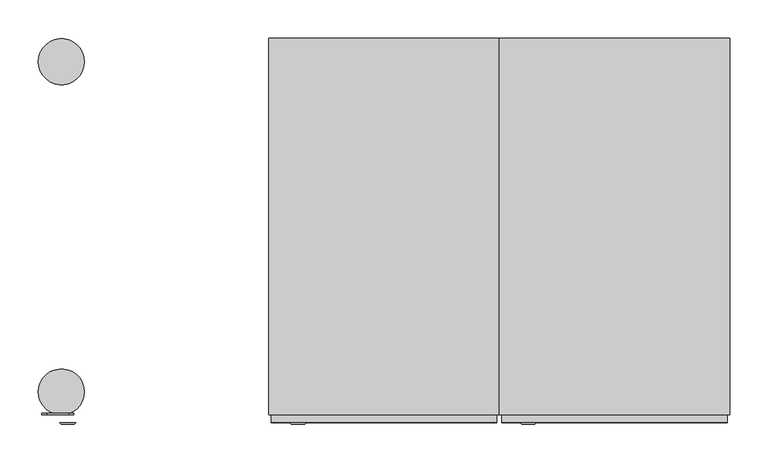
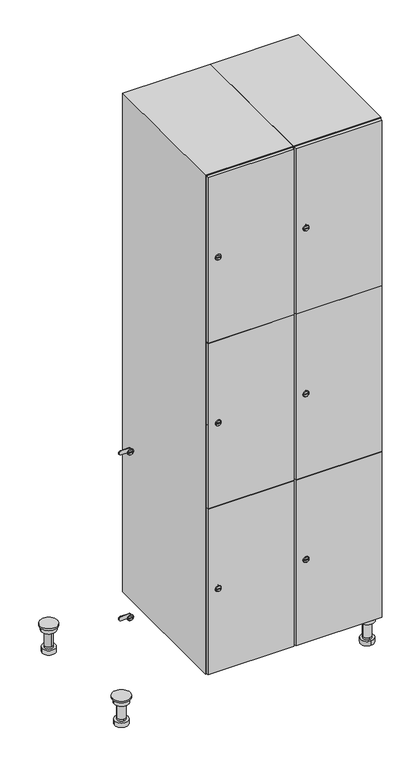
"""IFC4 building model written with IfcOpenShell, lengths in millimetres: furniture geometry."""

from ifc_helpers import new_model, si_unit, point, frame, frame_2d, origin, place, context, project, spatial, polyline, circle_curve, trimmed, segment, composite_curve, outline, extrude, faceted_brep, source, transform, mapped, element, save
from ifc_brep_helpers import plane_surface, cylinder_surface, revolved_surface, advanced_brep


def furniture_65d484cc(model_context):
    return source(origin(), model_context, "Body", "SolidModel", [
        advanced_brep(
        [(670.0, -201.0, 22.0), (670.0, -201.5, 16.0), (670.0, -228.5, 16.0), (670.0, -229.0, 22.0), (656.0, -215.0, 22.0), (684.0, -215.0, 22.0), (670.0, -192.5, 16.0), (670.0, -237.5, 16.0), (670.0, -192.5, 0.0), (670.0, -237.5, 0.0), (684.0, -215.0, 78.0), (656.0, -215.0, 78.0), (695.0, -215.0, 78.0), (645.0, -215.0, 78.0), (700.0, -215.0, 94.0), (640.0, -215.0, 94.0), (645.0, -215.0, 94.0), (695.0, -215.0, 94.0), (700.0, -215.0, 100.0), (640.0, -215.0, 100.0)],
        [
            (0, 1),
            (1, 2, circle_curve(frame((670.0, -215.0, 16.0), z_axis=(0.0, 0.0, 1.0), x_axis=(0.0, -1.0, 0.0)), 13.5)),
            (2, 3),
            (3, 4, circle_curve(frame((670.0, -215.0, 22.0), z_axis=(0.0, 0.0, -1.0), x_axis=(0.0, -1.0, 0.0)), 14.0)),
            (4, 0, circle_curve(frame((670.0, -215.0, 22.0), z_axis=(0.0, 0.0, -1.0), x_axis=(0.0, -1.0, 0.0)), 14.0)),
            (0, 5, circle_curve(frame((670.0, -215.0, 22.0), z_axis=(0.0, 0.0, -1.0), x_axis=(0.0, 1.0, 0.0)), 14.0)),
            (5, 3, circle_curve(frame((670.0, -215.0, 22.0), z_axis=(0.0, 0.0, -1.0), x_axis=(0.0, 1.0, 0.0)), 14.0)),
            (2, 1, circle_curve(frame((670.0, -215.0, 16.0), z_axis=(0.0, 0.0, 1.0), x_axis=(0.0, 1.0, 0.0)), 13.5)),
            (6, 7, circle_curve(frame((670.0, -215.0, 16.0), z_axis=(0.0, 0.0, 1.0), x_axis=(0.0, -1.0, 0.0)), 22.5)),
            (7, 6, circle_curve(frame((670.0, -215.0, 16.0), z_axis=(0.0, 0.0, 1.0), x_axis=(0.0, -1.0, 0.0)), 22.5)),
            (8, 9, circle_curve(frame((670.0, -215.0, 0.0), z_axis=(0.0, 0.0, -1.0), x_axis=(0.0, -1.0, 0.0)), 22.5)),
            (9, 8, circle_curve(frame((670.0, -215.0, 0.0), z_axis=(0.0, 0.0, -1.0), x_axis=(0.0, -1.0, 0.0)), 22.5)),
            (6, 8),
            (9, 7),
            (5, 10),
            (10, 11, circle_curve(frame((670.0, -215.0, 78.0), z_axis=(0.0, 0.0, -1.0), x_axis=(-1.0, 0.0, 0.0)), 14.0)),
            (11, 4),
            (11, 10, circle_curve(frame((670.0, -215.0, 78.0), z_axis=(0.0, 0.0, -1.0), x_axis=(-1.0, 0.0, 0.0)), 14.0)),
            (12, 13, circle_curve(frame((670.0, -215.0, 78.0), z_axis=(0.0, 0.0, -1.0), x_axis=(-1.0, 0.0, 0.0)), 25.0)),
            (13, 12, circle_curve(frame((670.0, -215.0, 78.0), z_axis=(0.0, 0.0, -1.0), x_axis=(-1.0, 0.0, 0.0)), 25.0)),
            (14, 15, circle_curve(frame((670.0, -215.0, 94.0), z_axis=(0.0, 0.0, -1.0), x_axis=(-1.0, 0.0, 0.0)), 30.0)),
            (15, 14, circle_curve(frame((670.0, -215.0, 94.0), z_axis=(0.0, 0.0, -1.0), x_axis=(-1.0, 0.0, 0.0)), 30.0)),
            (16, 17, circle_curve(frame((670.0, -215.0, 94.0), z_axis=(0.0, 0.0, 1.0), x_axis=(-1.0, 0.0, 0.0)), 25.0)),
            (17, 16, circle_curve(frame((670.0, -215.0, 94.0), z_axis=(0.0, 0.0, 1.0), x_axis=(-1.0, 0.0, 0.0)), 25.0)),
            (18, 19, circle_curve(frame((670.0, -215.0, 100.0), z_axis=(0.0, 0.0, 1.0), x_axis=(-1.0, 0.0, 0.0)), 30.0)),
            (19, 18, circle_curve(frame((670.0, -215.0, 100.0), z_axis=(0.0, 0.0, 1.0), x_axis=(-1.0, 0.0, 0.0)), 30.0)),
            (14, 18),
            (19, 15),
            (12, 17),
            (16, 13),
        ],
        [
            revolved_surface(polyline([(670.0, -201.5, 16.0), (670.0, -201.0, 22.0)]), (670.0, -215.0, -146.0), (0.0, 0.0, 1.0)),
            plane_surface(frame((670.0, 0.0, 16.0), z_axis=(0.0, 0.0, 1.0), x_axis=(0.0, -1.0, 0.0))),
            plane_surface(frame((670.0, 0.0, 0.0), z_axis=(0.0, 0.0, -1.0), x_axis=(0.0, -1.0, 0.0))),
            cylinder_surface(frame((670.0, -215.0, 16.0), z_axis=(0.0, 0.0, 1.0), x_axis=(0.0, -1.0, 0.0)), 22.5),
            cylinder_surface(frame((670.0, -215.0, 22.0), z_axis=(0.0, 0.0, -1.0), x_axis=(-1.0, 0.0, 0.0)), 14.0),
            plane_surface(frame((670.0, 0.0, 78.0), z_axis=(0.0, 0.0, -1.0), x_axis=(0.0, -1.0, 0.0))),
            plane_surface(frame((670.0, 0.0, 94.0), z_axis=(0.0, 0.0, -1.0), x_axis=(0.0, -1.0, 0.0))),
            plane_surface(frame((670.0, 0.0, 100.0), z_axis=(0.0, 0.0, 1.0), x_axis=(0.0, -1.0, 0.0))),
            cylinder_surface(frame((670.0, -215.0, 94.0), z_axis=(0.0, 0.0, -1.0), x_axis=(-1.0, 0.0, 0.0)), 30.0),
            cylinder_surface(frame((670.0, -215.0, 78.0), z_axis=(0.0, 0.0, -1.0), x_axis=(-1.0, 0.0, 0.0)), 25.0),
        ],
        [
            (0, [[1, 2, 3, 4, 5]]),
            (0, [[-1, 6, 7, -3, 8]]),
            (1, [[9, 10], [-2, -8]]),
            (2, [[11, 12]]),
            (3, [[-9, 13, -12, 14]]),
            (3, [[-10, -14, -11, -13]]),
            (4, [[15, 16, 17, -4, -7]]),
            (4, [[-15, -6, -5, -17, 18]]),
            (5, [[19, 20], [-16, -18]]),
            (6, [[21, 22], [23, 24]]),
            (7, [[25, 26]]),
            (8, [[-21, 27, -26, 28]]),
            (8, [[-22, -28, -25, -27]]),
            (9, [[-19, 29, -23, 30]]),
            (9, [[-20, -30, -24, -29]]),
        ],
    ),
        advanced_brep(
        [(-170.0, -201.0, 22.0), (-170.0, -201.5, 16.0), (-170.0, -228.5, 16.0), (-170.0, -229.0, 22.0), (-184.0, -215.0, 22.0), (-156.0, -215.0, 22.0), (-147.5, -215.0, 0.0), (-192.5, -215.0, 0.0), (-147.5, -215.0, 16.0), (-192.5, -215.0, 16.0), (-156.0, -215.0, 78.0), (-184.0, -215.0, 78.0), (-145.0, -215.0, 78.0), (-195.0, -215.0, 78.0), (-140.0, -215.0, 94.0), (-200.0, -215.0, 94.0), (-195.0, -215.0, 94.0), (-145.0, -215.0, 94.0), (-140.0, -215.0, 100.0), (-200.0, -215.0, 100.0)],
        [
            (0, 1),
            (1, 2, circle_curve(frame((-170.0, -215.0, 16.0), z_axis=(0.0, 0.0, 1.0), x_axis=(0.0, -1.0, 0.0)), 13.5)),
            (2, 3),
            (3, 4, circle_curve(frame((-170.0, -215.0, 22.0), z_axis=(0.0, 0.0, -1.0), x_axis=(0.0, -1.0, 0.0)), 14.0)),
            (4, 0, circle_curve(frame((-170.0, -215.0, 22.0), z_axis=(0.0, 0.0, -1.0), x_axis=(0.0, -1.0, 0.0)), 14.0)),
            (0, 5, circle_curve(frame((-170.0, -215.0, 22.0), z_axis=(0.0, 0.0, -1.0), x_axis=(0.0, 1.0, 0.0)), 14.0)),
            (5, 3, circle_curve(frame((-170.0, -215.0, 22.0), z_axis=(0.0, 0.0, -1.0), x_axis=(0.0, 1.0, 0.0)), 14.0)),
            (2, 1, circle_curve(frame((-170.0, -215.0, 16.0), z_axis=(0.0, 0.0, 1.0), x_axis=(0.0, 1.0, 0.0)), 13.5)),
            (6, 7, circle_curve(frame((-170.0, -215.0, 0.0), z_axis=(0.0, 0.0, -1.0), x_axis=(-1.0, 0.0, 0.0)), 22.5)),
            (7, 6, circle_curve(frame((-170.0, -215.0, 0.0), z_axis=(0.0, 0.0, -1.0), x_axis=(-1.0, 0.0, 0.0)), 22.5)),
            (8, 9, circle_curve(frame((-170.0, -215.0, 16.0), z_axis=(0.0, 0.0, 1.0), x_axis=(-1.0, 0.0, 0.0)), 22.5)),
            (9, 8, circle_curve(frame((-170.0, -215.0, 16.0), z_axis=(0.0, 0.0, 1.0), x_axis=(-1.0, 0.0, 0.0)), 22.5)),
            (6, 8),
            (9, 7),
            (5, 10),
            (10, 11, circle_curve(frame((-170.0, -215.0, 78.0), z_axis=(0.0, 0.0, -1.0), x_axis=(-1.0, 0.0, 0.0)), 14.0)),
            (11, 4),
            (11, 10, circle_curve(frame((-170.0, -215.0, 78.0), z_axis=(0.0, 0.0, -1.0), x_axis=(-1.0, 0.0, 0.0)), 14.0)),
            (12, 13, circle_curve(frame((-170.0, -215.0, 78.0), z_axis=(0.0, 0.0, -1.0), x_axis=(-1.0, 0.0, 0.0)), 25.0)),
            (13, 12, circle_curve(frame((-170.0, -215.0, 78.0), z_axis=(0.0, 0.0, -1.0), x_axis=(-1.0, 0.0, 0.0)), 25.0)),
            (14, 15, circle_curve(frame((-170.0, -215.0, 94.0), z_axis=(0.0, 0.0, -1.0), x_axis=(-1.0, 0.0, 0.0)), 30.0)),
            (15, 14, circle_curve(frame((-170.0, -215.0, 94.0), z_axis=(0.0, 0.0, -1.0), x_axis=(-1.0, 0.0, 0.0)), 30.0)),
            (16, 17, circle_curve(frame((-170.0, -215.0, 94.0), z_axis=(0.0, 0.0, 1.0), x_axis=(-1.0, 0.0, 0.0)), 25.0)),
            (17, 16, circle_curve(frame((-170.0, -215.0, 94.0), z_axis=(0.0, 0.0, 1.0), x_axis=(-1.0, 0.0, 0.0)), 25.0)),
            (18, 19, circle_curve(frame((-170.0, -215.0, 100.0), z_axis=(0.0, 0.0, 1.0), x_axis=(-1.0, 0.0, 0.0)), 30.0)),
            (19, 18, circle_curve(frame((-170.0, -215.0, 100.0), z_axis=(0.0, 0.0, 1.0), x_axis=(-1.0, 0.0, 0.0)), 30.0)),
            (14, 18),
            (19, 15),
            (12, 17),
            (16, 13),
        ],
        [
            revolved_surface(polyline([(-170.0, -201.5, 16.0), (-170.0, -201.0, 22.0)]), (-170.0, -215.0, -146.0), (0.0, 0.0, 1.0)),
            plane_surface(frame((-170.0, 0.0, 0.0), z_axis=(0.0, 0.0, -1.0), x_axis=(0.0, -1.0, 0.0))),
            plane_surface(frame((-170.0, 0.0, 16.0), z_axis=(0.0, 0.0, 1.0), x_axis=(0.0, -1.0, 0.0))),
            cylinder_surface(frame((-170.0, -215.0, 0.0), z_axis=(0.0, 0.0, -1.0), x_axis=(-1.0, 0.0, 0.0)), 22.5),
            cylinder_surface(frame((-170.0, -215.0, 22.0), z_axis=(0.0, 0.0, -1.0), x_axis=(-1.0, 0.0, 0.0)), 14.0),
            plane_surface(frame((-170.0, 0.0, 78.0), z_axis=(0.0, 0.0, -1.0), x_axis=(0.0, -1.0, 0.0))),
            plane_surface(frame((-170.0, 0.0, 94.0), z_axis=(0.0, 0.0, -1.0), x_axis=(0.0, -1.0, 0.0))),
            plane_surface(frame((-170.0, 0.0, 100.0), z_axis=(0.0, 0.0, 1.0), x_axis=(0.0, -1.0, 0.0))),
            cylinder_surface(frame((-170.0, -215.0, 94.0), z_axis=(0.0, 0.0, -1.0), x_axis=(-1.0, 0.0, 0.0)), 30.0),
            cylinder_surface(frame((-170.0, -215.0, 78.0), z_axis=(0.0, 0.0, -1.0), x_axis=(-1.0, 0.0, 0.0)), 25.0),
        ],
        [
            (0, [[1, 2, 3, 4, 5]]),
            (0, [[-1, 6, 7, -3, 8]]),
            (1, [[9, 10]]),
            (2, [[11, 12], [-2, -8]]),
            (3, [[-9, 13, -12, 14]]),
            (3, [[-10, -14, -11, -13]]),
            (4, [[15, 16, 17, -4, -7]]),
            (4, [[-15, -6, -5, -17, 18]]),
            (5, [[19, 20], [-16, -18]]),
            (6, [[21, 22], [23, 24]]),
            (7, [[25, 26]]),
            (8, [[-21, 27, -26, 28]]),
            (8, [[-22, -28, -25, -27]]),
            (9, [[-19, 29, -23, 30]]),
            (9, [[-20, -30, -24, -29]]),
        ],
    ),
        advanced_brep(
        [(683.5, 215.0, 16.0), (684.0, 215.0, 22.0), (656.0, 215.0, 22.0), (656.5, 215.0, 16.0), (692.5, 215.0, 0.0), (647.5, 215.0, 0.0), (692.5, 215.0, 16.0), (647.5, 215.0, 16.0), (684.0, 215.0, 78.0), (656.0, 215.0, 78.0), (695.0, 215.0, 78.0), (645.0, 215.0, 78.0), (700.0, 215.0, 94.0), (640.0, 215.0, 94.0), (645.0, 215.0, 94.0), (695.0, 215.0, 94.0), (700.0, 215.0, 100.0), (640.0, 215.0, 100.0)],
        [
            (0, 1),
            (1, 2, circle_curve(frame((670.0, 215.0, 22.0), z_axis=(0.0, 0.0, -1.0), x_axis=(-1.0, 0.0, 0.0)), 14.0)),
            (2, 3),
            (3, 0, circle_curve(frame((670.0, 215.0, 16.0), z_axis=(0.0, 0.0, 1.0), x_axis=(-1.0, 0.0, 0.0)), 13.5)),
            (0, 3, circle_curve(frame((670.0, 215.0, 16.0), z_axis=(0.0, 0.0, 1.0), x_axis=(1.0, 0.0, 0.0)), 13.5)),
            (2, 1, circle_curve(frame((670.0, 215.0, 22.0), z_axis=(0.0, 0.0, -1.0), x_axis=(1.0, 0.0, 0.0)), 14.0)),
            (4, 5, circle_curve(frame((670.0, 215.0, 0.0), z_axis=(0.0, 0.0, -1.0), x_axis=(-1.0, 0.0, 0.0)), 22.5)),
            (5, 4, circle_curve(frame((670.0, 215.0, 0.0), z_axis=(0.0, 0.0, -1.0), x_axis=(-1.0, 0.0, 0.0)), 22.5)),
            (6, 7, circle_curve(frame((670.0, 215.0, 16.0), z_axis=(0.0, 0.0, 1.0), x_axis=(-1.0, 0.0, 0.0)), 22.5)),
            (7, 6, circle_curve(frame((670.0, 215.0, 16.0), z_axis=(0.0, 0.0, 1.0), x_axis=(-1.0, 0.0, 0.0)), 22.5)),
            (4, 6),
            (7, 5),
            (1, 8),
            (8, 9, circle_curve(frame((670.0, 215.0, 78.0), z_axis=(0.0, 0.0, -1.0), x_axis=(-1.0, 0.0, 0.0)), 14.0)),
            (9, 2),
            (9, 8, circle_curve(frame((670.0, 215.0, 78.0), z_axis=(0.0, 0.0, -1.0), x_axis=(-1.0, 0.0, 0.0)), 14.0)),
            (10, 11, circle_curve(frame((670.0, 215.0, 78.0), z_axis=(0.0, 0.0, -1.0), x_axis=(-1.0, 0.0, 0.0)), 25.0)),
            (11, 10, circle_curve(frame((670.0, 215.0, 78.0), z_axis=(0.0, 0.0, -1.0), x_axis=(-1.0, 0.0, 0.0)), 25.0)),
            (12, 13, circle_curve(frame((670.0, 215.0, 94.0), z_axis=(0.0, 0.0, -1.0), x_axis=(-1.0, 0.0, 0.0)), 30.0)),
            (13, 12, circle_curve(frame((670.0, 215.0, 94.0), z_axis=(0.0, 0.0, -1.0), x_axis=(-1.0, 0.0, 0.0)), 30.0)),
            (14, 15, circle_curve(frame((670.0, 215.0, 94.0), z_axis=(0.0, 0.0, 1.0), x_axis=(-1.0, 0.0, 0.0)), 25.0)),
            (15, 14, circle_curve(frame((670.0, 215.0, 94.0), z_axis=(0.0, 0.0, 1.0), x_axis=(-1.0, 0.0, 0.0)), 25.0)),
            (16, 17, circle_curve(frame((670.0, 215.0, 100.0), z_axis=(0.0, 0.0, 1.0), x_axis=(-1.0, 0.0, 0.0)), 30.0)),
            (17, 16, circle_curve(frame((670.0, 215.0, 100.0), z_axis=(0.0, 0.0, 1.0), x_axis=(-1.0, 0.0, 0.0)), 30.0)),
            (12, 16),
            (17, 13),
            (10, 15),
            (14, 11),
        ],
        [
            revolved_surface(polyline([(683.5, 215.0, 16.0), (684.0, 215.0, 22.0)]), (670.0, 215.0, -146.0), (0.0, 0.0, 1.0)),
            plane_surface(frame((670.0, 0.0, 0.0), z_axis=(0.0, 0.0, -1.0), x_axis=(0.0, -1.0, 0.0))),
            plane_surface(frame((670.0, 0.0, 16.0), z_axis=(0.0, 0.0, 1.0), x_axis=(0.0, -1.0, 0.0))),
            cylinder_surface(frame((670.0, 215.0, 0.0), z_axis=(0.0, 0.0, -1.0), x_axis=(-1.0, 0.0, 0.0)), 22.5),
            cylinder_surface(frame((670.0, 215.0, 22.0), z_axis=(0.0, 0.0, -1.0), x_axis=(-1.0, 0.0, 0.0)), 14.0),
            plane_surface(frame((670.0, 0.0, 78.0), z_axis=(0.0, 0.0, -1.0), x_axis=(0.0, -1.0, 0.0))),
            plane_surface(frame((670.0, 0.0, 94.0), z_axis=(0.0, 0.0, -1.0), x_axis=(0.0, -1.0, 0.0))),
            plane_surface(frame((670.0, 0.0, 100.0), z_axis=(0.0, 0.0, 1.0), x_axis=(0.0, -1.0, 0.0))),
            cylinder_surface(frame((670.0, 215.0, 94.0), z_axis=(0.0, 0.0, -1.0), x_axis=(-1.0, 0.0, 0.0)), 30.0),
            cylinder_surface(frame((670.0, 215.0, 78.0), z_axis=(0.0, 0.0, -1.0), x_axis=(-1.0, 0.0, 0.0)), 25.0),
        ],
        [
            (0, [[1, 2, 3, 4]]),
            (0, [[-1, 5, -3, 6]]),
            (1, [[7, 8]]),
            (2, [[9, 10], [-4, -5]]),
            (3, [[-7, 11, -10, 12]]),
            (3, [[-8, -12, -9, -11]]),
            (4, [[13, 14, 15, -2]]),
            (4, [[-13, -6, -15, 16]]),
            (5, [[17, 18], [-14, -16]]),
            (6, [[19, 20], [21, 22]]),
            (7, [[23, 24]]),
            (8, [[-19, 25, -24, 26]]),
            (8, [[-20, -26, -23, -25]]),
            (9, [[-17, 27, -21, 28]]),
            (9, [[-18, -28, -22, -27]]),
        ],
    ),
        advanced_brep(
        [(-156.5, 215.0, 16.0), (-156.0, 215.0, 22.0), (-170.0, 201.0, 22.0), (-184.0, 215.0, 22.0), (-183.5, 215.0, 16.0), (-170.0, 229.0, 22.0), (-147.5, 215.0, 0.0), (-192.5, 215.0, 0.0), (-147.5, 215.0, 16.0), (-192.5, 215.0, 16.0), (-170.0, 229.0, 78.0), (-170.0, 201.0, 78.0), (-145.0, 215.0, 78.0), (-195.0, 215.0, 78.0), (-140.0, 215.0, 94.0), (-200.0, 215.0, 94.0), (-195.0, 215.0, 94.0), (-145.0, 215.0, 94.0), (-140.0, 215.0, 100.0), (-200.0, 215.0, 100.0)],
        [
            (0, 1),
            (1, 2, circle_curve(frame((-170.0, 215.0, 22.0), z_axis=(0.0, 0.0, -1.0), x_axis=(-1.0, 0.0, 0.0)), 14.0)),
            (2, 3, circle_curve(frame((-170.0, 215.0, 22.0), z_axis=(0.0, 0.0, -1.0), x_axis=(-1.0, 0.0, 0.0)), 14.0)),
            (3, 4),
            (4, 0, circle_curve(frame((-170.0, 215.0, 16.0), z_axis=(0.0, 0.0, 1.0), x_axis=(-1.0, 0.0, 0.0)), 13.5)),
            (0, 4, circle_curve(frame((-170.0, 215.0, 16.0), z_axis=(0.0, 0.0, 1.0), x_axis=(1.0, 0.0, 0.0)), 13.5)),
            (3, 5, circle_curve(frame((-170.0, 215.0, 22.0), z_axis=(0.0, 0.0, -1.0), x_axis=(1.0, 0.0, 0.0)), 14.0)),
            (5, 1, circle_curve(frame((-170.0, 215.0, 22.0), z_axis=(0.0, 0.0, -1.0), x_axis=(1.0, 0.0, 0.0)), 14.0)),
            (6, 7, circle_curve(frame((-170.0, 215.0, 0.0), z_axis=(0.0, 0.0, -1.0), x_axis=(-1.0, 0.0, 0.0)), 22.5)),
            (7, 6, circle_curve(frame((-170.0, 215.0, 0.0), z_axis=(0.0, 0.0, -1.0), x_axis=(-1.0, 0.0, 0.0)), 22.5)),
            (8, 9, circle_curve(frame((-170.0, 215.0, 16.0), z_axis=(0.0, 0.0, 1.0), x_axis=(-1.0, 0.0, 0.0)), 22.5)),
            (9, 8, circle_curve(frame((-170.0, 215.0, 16.0), z_axis=(0.0, 0.0, 1.0), x_axis=(-1.0, 0.0, 0.0)), 22.5)),
            (6, 8),
            (9, 7),
            (10, 5),
            (2, 11),
            (11, 10, circle_curve(frame((-170.0, 215.0, 78.0), z_axis=(0.0, 0.0, -1.0), x_axis=(0.0, -1.0, 0.0)), 14.0)),
            (10, 11, circle_curve(frame((-170.0, 215.0, 78.0), z_axis=(0.0, 0.0, -1.0), x_axis=(0.0, -1.0, 0.0)), 14.0)),
            (12, 13, circle_curve(frame((-170.0, 215.0, 78.0), z_axis=(0.0, 0.0, -1.0), x_axis=(-1.0, 0.0, 0.0)), 25.0)),
            (13, 12, circle_curve(frame((-170.0, 215.0, 78.0), z_axis=(0.0, 0.0, -1.0), x_axis=(-1.0, 0.0, 0.0)), 25.0)),
            (14, 15, circle_curve(frame((-170.0, 215.0, 94.0), z_axis=(0.0, 0.0, -1.0), x_axis=(-1.0, 0.0, 0.0)), 30.0)),
            (15, 14, circle_curve(frame((-170.0, 215.0, 94.0), z_axis=(0.0, 0.0, -1.0), x_axis=(-1.0, 0.0, 0.0)), 30.0)),
            (16, 17, circle_curve(frame((-170.0, 215.0, 94.0), z_axis=(0.0, 0.0, 1.0), x_axis=(-1.0, 0.0, 0.0)), 25.0)),
            (17, 16, circle_curve(frame((-170.0, 215.0, 94.0), z_axis=(0.0, 0.0, 1.0), x_axis=(-1.0, 0.0, 0.0)), 25.0)),
            (18, 19, circle_curve(frame((-170.0, 215.0, 100.0), z_axis=(0.0, 0.0, 1.0), x_axis=(-1.0, 0.0, 0.0)), 30.0)),
            (19, 18, circle_curve(frame((-170.0, 215.0, 100.0), z_axis=(0.0, 0.0, 1.0), x_axis=(-1.0, 0.0, 0.0)), 30.0)),
            (14, 18),
            (19, 15),
            (12, 17),
            (16, 13),
        ],
        [
            revolved_surface(polyline([(-156.5, 215.0, 16.0), (-156.0, 215.0, 22.0)]), (-170.0, 215.0, -146.0), (0.0, 0.0, 1.0)),
            plane_surface(frame((-170.0, 0.0, 0.0), z_axis=(0.0, 0.0, -1.0), x_axis=(0.0, -1.0, 0.0))),
            plane_surface(frame((-170.0, 0.0, 16.0), z_axis=(0.0, 0.0, 1.0), x_axis=(0.0, -1.0, 0.0))),
            cylinder_surface(frame((-170.0, 215.0, 0.0), z_axis=(0.0, 0.0, -1.0), x_axis=(-1.0, 0.0, 0.0)), 22.5),
            cylinder_surface(frame((-170.0, 215.0, 78.0), z_axis=(0.0, 0.0, 1.0), x_axis=(0.0, -1.0, 0.0)), 14.0),
            plane_surface(frame((-170.0, 0.0, 78.0), z_axis=(0.0, 0.0, -1.0), x_axis=(0.0, -1.0, 0.0))),
            plane_surface(frame((-170.0, 0.0, 94.0), z_axis=(0.0, 0.0, -1.0), x_axis=(0.0, -1.0, 0.0))),
            plane_surface(frame((-170.0, 0.0, 100.0), z_axis=(0.0, 0.0, 1.0), x_axis=(0.0, -1.0, 0.0))),
            cylinder_surface(frame((-170.0, 215.0, 94.0), z_axis=(0.0, 0.0, -1.0), x_axis=(-1.0, 0.0, 0.0)), 30.0),
            cylinder_surface(frame((-170.0, 215.0, 78.0), z_axis=(0.0, 0.0, -1.0), x_axis=(-1.0, 0.0, 0.0)), 25.0),
        ],
        [
            (0, [[1, 2, 3, 4, 5]]),
            (0, [[-1, 6, -4, 7, 8]]),
            (1, [[9, 10]]),
            (2, [[11, 12], [-5, -6]]),
            (3, [[-9, 13, -12, 14]]),
            (3, [[-10, -14, -11, -13]]),
            (4, [[15, -7, -3, 16, 17]]),
            (4, [[-15, 18, -16, -2, -8]]),
            (5, [[19, 20], [-17, -18]]),
            (6, [[21, 22], [23, 24]]),
            (7, [[25, 26]]),
            (8, [[-21, 27, -26, 28]]),
            (8, [[-22, -28, -25, -27]]),
            (9, [[-19, 29, -23, 30]]),
            (9, [[-20, -30, -24, -29]]),
        ],
    ),
        extrude(outline(composite_curve([segment(trimmed(circle_curve(frame_2d((402.0, 411.2010534)), 7.0), [point((409.0, 411.2010534))], [point((395.0, 411.2010534))], False, "CARTESIAN"), True, "CONTINUOUS"), segment(polyline([(395.0, 411.2010534), (395.0, 439.2010534)]), True, "CONTINUOUS"), segment(trimmed(circle_curve(frame_2d((402.0, 439.2010534)), 7.0), [point((395.0, 439.2010534))], [point((409.0, 439.2010534))], False, "CARTESIAN"), True, "CONTINUOUS"), segment(polyline([(409.0, 439.2010534), (409.0, 411.2010534)]), True, "CONTINUOUS")], self_intersect=False)), frame((0.0, -245.0, 0.0), z_axis=(0.0, 1.0, 0.0), x_axis=(0.0, 0.0, 1.0)), (0.0, 0.0, 1.0), 2.0),
        advanced_brep(
        [(446.5, -257.2, 402.0), (429.5, -257.2, 402.0), (433.0, -257.2, 400.75), (433.0, -257.2, 403.25), (443.0, -257.2, 403.25), (443.0, -257.2, 400.75), (448.5, -255.0, 402.0), (427.5, -255.0, 402.0), (433.0, -255.0, 403.25), (433.0, -255.0, 400.75), (443.0, -255.0, 400.75), (443.0, -255.0, 403.25)],
        [
            (0, 1, circle_curve(frame((438.0, -257.2, 402.0), z_axis=(0.0, -1.0, 0.0), x_axis=(1.0, 0.0, 0.0)), 8.5)),
            (1, 0, circle_curve(frame((438.0, -257.2, 402.0), z_axis=(0.0, -1.0, 0.0), x_axis=(-1.0, 0.0, 0.0)), 8.5)),
            (2, 3),
            (3, 4),
            (4, 5),
            (5, 2),
            (6, 7, circle_curve(frame((438.0, -255.0, 402.0), z_axis=(0.0, 1.0, 0.0), x_axis=(-1.0, 0.0, 0.0)), 10.5)),
            (7, 6, circle_curve(frame((438.0, -255.0, 402.0), z_axis=(0.0, 1.0, 0.0), x_axis=(1.0, 0.0, 0.0)), 10.5)),
            (8, 9),
            (9, 10),
            (10, 11),
            (11, 8),
            (0, 6),
            (7, 1),
            (8, 3),
            (2, 9),
            (11, 4),
            (10, 5),
        ],
        [
            plane_surface(frame((438.0, -257.2, 402.0), z_axis=(0.0, -1.0, 0.0), x_axis=(0.0, 0.0, 1.0))),
            plane_surface(frame((438.0, -255.0, 402.0), z_axis=(0.0, 1.0, 0.0), x_axis=(0.0, 0.0, 1.0))),
            revolved_surface(polyline([(446.5, -257.2, 402.0), (448.5, -255.0, 402.0)]), (438.0, -266.55, 402.0), (0.0, 1.0, 0.0)),
            revolved_surface(polyline([(429.5, -257.2, 402.0), (427.5, -255.0, 402.0)]), (438.0, -266.55, 402.0), (0.0, 1.0, 0.0)),
            plane_surface(frame((433.0, -255.0, 400.75), z_axis=(1.0, 0.0, 0.0), x_axis=(0.0, -1.0, 0.0))),
            plane_surface(frame((433.0, -255.0, 403.25), z_axis=(0.0, 0.0, -1.0), x_axis=(0.0, -1.0, 0.0))),
            plane_surface(frame((443.0, -255.0, 403.25), z_axis=(-1.0, 0.0, 0.0), x_axis=(0.0, -1.0, 0.0))),
            plane_surface(frame((443.0, -255.0, 400.75), z_axis=(0.0, 0.0, 1.0), x_axis=(0.0, -1.0, 0.0))),
        ],
        [
            (0, [[1, 2], [3, 4, 5, 6]]),
            (1, [[7, 8], [9, 10, 11, 12]]),
            (2, [[-1, 13, -8, 14]]),
            (3, [[-2, -14, -7, -13]]),
            (4, [[15, -3, 16, -9]]),
            (5, [[-15, -12, 17, -4]]),
            (6, [[-17, -11, 18, -5]]),
            (7, [[-16, -6, -18, -10]]),
        ],
    ),
        extrude(outline(composite_curve([segment(trimmed(circle_curve(frame_2d((1000.0, 411.2010534)), 7.0), [point((1007.0, 411.2010534))], [point((993.0, 411.2010534))], False, "CARTESIAN"), True, "CONTINUOUS"), segment(polyline([(993.0, 411.2010534), (993.0, 439.2010534)]), True, "CONTINUOUS"), segment(trimmed(circle_curve(frame_2d((1000.0, 439.2010534)), 7.0), [point((993.0, 439.2010534))], [point((1007.0, 439.2010534))], False, "CARTESIAN"), True, "CONTINUOUS"), segment(polyline([(1007.0, 439.2010534), (1007.0, 411.2010534)]), True, "CONTINUOUS")], self_intersect=False)), frame((0.0, -245.0, 0.0), z_axis=(0.0, 1.0, 0.0), x_axis=(0.0, 0.0, 1.0)), (0.0, 0.0, 1.0), 2.0),
        advanced_brep(
        [(446.5, -257.2, 1000.0), (429.5, -257.2, 1000.0), (433.0, -257.2, 998.75), (433.0, -257.2, 1001.25), (443.0, -257.2, 1001.25), (443.0, -257.2, 998.75), (448.5, -255.0, 1000.0), (427.5, -255.0, 1000.0), (433.0, -255.0, 1001.25), (433.0, -255.0, 998.75), (443.0, -255.0, 998.75), (443.0, -255.0, 1001.25)],
        [
            (0, 1, circle_curve(frame((438.0, -257.2, 1000.0), z_axis=(0.0, -1.0, 0.0), x_axis=(1.0, 0.0, 0.0)), 8.5)),
            (1, 0, circle_curve(frame((438.0, -257.2, 1000.0), z_axis=(0.0, -1.0, 0.0), x_axis=(-1.0, 0.0, 0.0)), 8.5)),
            (2, 3),
            (3, 4),
            (4, 5),
            (5, 2),
            (6, 7, circle_curve(frame((438.0, -255.0, 1000.0), z_axis=(0.0, 1.0, 0.0), x_axis=(-1.0, 0.0, 0.0)), 10.5)),
            (7, 6, circle_curve(frame((438.0, -255.0, 1000.0), z_axis=(0.0, 1.0, 0.0), x_axis=(1.0, 0.0, 0.0)), 10.5)),
            (8, 9),
            (9, 10),
            (10, 11),
            (11, 8),
            (0, 6),
            (7, 1),
            (8, 3),
            (2, 9),
            (11, 4),
            (10, 5),
        ],
        [
            plane_surface(frame((438.0, -257.2, 1000.0), z_axis=(0.0, -1.0, 0.0), x_axis=(0.0, 0.0, 1.0))),
            plane_surface(frame((438.0, -255.0, 1000.0), z_axis=(0.0, 1.0, 0.0), x_axis=(0.0, 0.0, 1.0))),
            revolved_surface(polyline([(446.5, -257.2, 1000.0), (448.5, -255.0, 1000.0)]), (438.0, -266.55, 1000.0), (0.0, 1.0, 0.0)),
            revolved_surface(polyline([(429.5, -257.2, 1000.0), (427.5, -255.0, 1000.0)]), (438.0, -266.55, 1000.0), (0.0, 1.0, 0.0)),
            plane_surface(frame((433.0, -255.0, 998.75), z_axis=(1.0, 0.0, 0.0), x_axis=(0.0, -1.0, 0.0))),
            plane_surface(frame((433.0, -255.0, 1001.25), z_axis=(0.0, 0.0, -1.0), x_axis=(0.0, -1.0, 0.0))),
            plane_surface(frame((443.0, -255.0, 1001.25), z_axis=(-1.0, 0.0, 0.0), x_axis=(0.0, -1.0, 0.0))),
            plane_surface(frame((443.0, -255.0, 998.75), z_axis=(0.0, 0.0, 1.0), x_axis=(0.0, -1.0, 0.0))),
        ],
        [
            (0, [[1, 2], [3, 4, 5, 6]]),
            (1, [[7, 8], [9, 10, 11, 12]]),
            (2, [[-1, 13, -8, 14]]),
            (3, [[-2, -14, -7, -13]]),
            (4, [[15, -3, 16, -9]]),
            (5, [[-15, -12, 17, -4]]),
            (6, [[-17, -11, 18, -5]]),
            (7, [[-16, -6, -18, -10]]),
        ],
    ),
        extrude(outline(composite_curve([segment(trimmed(circle_curve(frame_2d((1598.0, 411.2010534)), 7.0), [point((1605.0, 411.2010534))], [point((1591.0, 411.2010534))], False, "CARTESIAN"), True, "CONTINUOUS"), segment(polyline([(1591.0, 411.2010534), (1591.0, 439.2010534)]), True, "CONTINUOUS"), segment(trimmed(circle_curve(frame_2d((1598.0, 439.2010534)), 7.0), [point((1591.0, 439.2010534))], [point((1605.0, 439.2010534))], False, "CARTESIAN"), True, "CONTINUOUS"), segment(polyline([(1605.0, 439.2010534), (1605.0, 411.2010534)]), True, "CONTINUOUS")], self_intersect=False)), frame((0.0, -245.0, 0.0), z_axis=(0.0, 1.0, 0.0), x_axis=(0.0, 0.0, 1.0)), (0.0, 0.0, 1.0), 2.0),
        advanced_brep(
        [(446.5, -257.2, 1598.0), (429.5, -257.2, 1598.0), (433.0, -257.2, 1596.75), (433.0, -257.2, 1599.25), (443.0, -257.2, 1599.25), (443.0, -257.2, 1596.75), (448.5, -255.0, 1598.0), (427.5, -255.0, 1598.0), (433.0, -255.0, 1599.25), (433.0, -255.0, 1596.75), (443.0, -255.0, 1596.75), (443.0, -255.0, 1599.25)],
        [
            (0, 1, circle_curve(frame((438.0, -257.2, 1598.0), z_axis=(0.0, -1.0, 0.0), x_axis=(1.0, 0.0, 0.0)), 8.5)),
            (1, 0, circle_curve(frame((438.0, -257.2, 1598.0), z_axis=(0.0, -1.0, 0.0), x_axis=(-1.0, 0.0, 0.0)), 8.5)),
            (2, 3),
            (3, 4),
            (4, 5),
            (5, 2),
            (6, 7, circle_curve(frame((438.0, -255.0, 1598.0), z_axis=(0.0, 1.0, 0.0), x_axis=(-1.0, 0.0, 0.0)), 10.5)),
            (7, 6, circle_curve(frame((438.0, -255.0, 1598.0), z_axis=(0.0, 1.0, 0.0), x_axis=(1.0, 0.0, 0.0)), 10.5)),
            (8, 9),
            (9, 10),
            (10, 11),
            (11, 8),
            (0, 6),
            (7, 1),
            (8, 3),
            (2, 9),
            (11, 4),
            (10, 5),
        ],
        [
            plane_surface(frame((438.0, -257.2, 1598.0), z_axis=(0.0, -1.0, 0.0), x_axis=(0.0, 0.0, 1.0))),
            plane_surface(frame((438.0, -255.0, 1598.0), z_axis=(0.0, 1.0, 0.0), x_axis=(0.0, 0.0, 1.0))),
            revolved_surface(polyline([(446.5, -257.2, 1598.0), (448.5, -255.0, 1598.0)]), (438.0, -266.55, 1598.0), (0.0, 1.0, 0.0)),
            revolved_surface(polyline([(429.5, -257.2, 1598.0), (427.5, -255.0, 1598.0)]), (438.0, -266.55, 1598.0), (0.0, 1.0, 0.0)),
            plane_surface(frame((433.0, -255.0, 1596.75), z_axis=(1.0, 0.0, 0.0), x_axis=(0.0, -1.0, 0.0))),
            plane_surface(frame((433.0, -255.0, 1599.25), z_axis=(0.0, 0.0, -1.0), x_axis=(0.0, -1.0, 0.0))),
            plane_surface(frame((443.0, -255.0, 1599.25), z_axis=(-1.0, 0.0, 0.0), x_axis=(0.0, -1.0, 0.0))),
            plane_surface(frame((443.0, -255.0, 1596.75), z_axis=(0.0, 0.0, 1.0), x_axis=(0.0, -1.0, 0.0))),
        ],
        [
            (0, [[1, 2], [3, 4, 5, 6]]),
            (1, [[7, 8], [9, 10, 11, 12]]),
            (2, [[-1, 13, -8, 14]]),
            (3, [[-2, -14, -7, -13]]),
            (4, [[15, -3, 16, -9]]),
            (5, [[-15, -12, 17, -4]]),
            (6, [[-17, -11, 18, -5]]),
            (7, [[-16, -6, -18, -10]]),
        ],
    ),
        extrude(outline(polyline([(697.0, -245.0), (697.0, -255.0), (403.0, -255.0), (403.0, -245.0), (697.0, -245.0)])), frame((0.0, 0.0, 701.5), z_axis=(0.0, 0.0, 1.0), x_axis=(1.0, 0.0, 0.0)), (0.0, 0.0, 1.0), 597.0),
        extrude(outline(polyline([(403.0, -255.0), (403.0, -245.0), (697.0, -245.0), (697.0, -255.0), (403.0, -255.0)])), frame((0.0, 0.0, 1299.5), z_axis=(0.0, 0.0, 1.0), x_axis=(1.0, 0.0, 0.0)), (0.0, 0.0, 1.0), 597.5),
        extrude(outline(polyline([(697.0, -245.0), (697.0, -255.0), (403.0, -255.0), (403.0, -245.0), (697.0, -245.0)])), frame((0.0, 0.0, 103.0), z_axis=(0.0, 0.0, 1.0), x_axis=(1.0, 0.0, 0.0)), (0.0, 0.0, 1.0), 597.5),
        extrude(outline(polyline([(690.0, 241.0), (690.0, -235.0), (410.0, -235.0), (410.0, 241.0), (690.0, 241.0)])), frame((0.0, 0.0, 1291.6666667), z_axis=(0.0, 0.0, 1.0), x_axis=(1.0, 0.0, 0.0)), (0.0, 0.0, 1.0), 10.0),
        extrude(outline(polyline([(410.0, 241.0), (690.0, 241.0), (690.0, -235.0), (410.0, -235.0), (410.0, 241.0)])), frame((0.0, 0.0, 698.3333333), z_axis=(0.0, 0.0, 1.0), x_axis=(1.0, 0.0, 0.0)), (0.0, 0.0, 1.0), 10.0),
        faceted_brep([(700.0, -245.0, 100.0), (700.0, -245.0, 1900.0), (400.0, -245.0, 1900.0), (400.0, -245.0, 100.0), (690.0, -245.0, 1890.0), (690.0, -245.0, 110.0), (410.0, -245.0, 110.0), (410.0, -245.0, 1890.0), (700.0, 245.0, 100.0), (400.0, 245.0, 100.0), (700.0, 245.0, 1900.0), (400.0, 245.0, 1900.0), (690.0, 241.0, 1890.0), (690.0, 241.0, 110.0), (400.0, 245.0, 1890.0), (410.0, 241.0, 1890.0), (410.0, 241.0, 110.0)], [[[0, 1, 2, 3], [4, 5, 6, 7]], [[8, 0, 3, 9]], [[1, 0, 8, 10]], [[1, 10, 11, 2]], [[4, 12, 13, 5]], [[9, 3, 2, 11, 14]], [[10, 8, 9, 14, 11]], [[12, 15, 16, 13]], [[15, 7, 6, 16]], [[4, 7, 15, 12]], [[6, 5, 13, 16]]]),
        extrude(outline(composite_curve([segment(trimmed(circle_curve(frame_2d((402.0, 111.2010534)), 7.0), [point((409.0, 111.2010534))], [point((395.0, 111.2010534))], False, "CARTESIAN"), True, "CONTINUOUS"), segment(polyline([(395.0, 111.2010534), (395.0, 139.2010534)]), True, "CONTINUOUS"), segment(trimmed(circle_curve(frame_2d((402.0, 139.2010534)), 7.0), [point((395.0, 139.2010534))], [point((409.0, 139.2010534))], False, "CARTESIAN"), True, "CONTINUOUS"), segment(polyline([(409.0, 139.2010534), (409.0, 111.2010534)]), True, "CONTINUOUS")], self_intersect=False)), frame((0.0, -245.0, 0.0), z_axis=(0.0, 1.0, 0.0), x_axis=(0.0, 0.0, 1.0)), (0.0, 0.0, 1.0), 2.0),
        advanced_brep(
        [(146.5, -257.2, 402.0), (129.5, -257.2, 402.0), (133.0, -257.2, 400.75), (133.0, -257.2, 403.25), (143.0, -257.2, 403.25), (143.0, -257.2, 400.75), (148.5, -255.0, 402.0), (127.5, -255.0, 402.0), (133.0, -255.0, 403.25), (133.0, -255.0, 400.75), (143.0, -255.0, 400.75), (143.0, -255.0, 403.25)],
        [
            (0, 1, circle_curve(frame((138.0, -257.2, 402.0), z_axis=(0.0, -1.0, 0.0), x_axis=(1.0, 0.0, 0.0)), 8.5)),
            (1, 0, circle_curve(frame((138.0, -257.2, 402.0), z_axis=(0.0, -1.0, 0.0), x_axis=(-1.0, 0.0, 0.0)), 8.5)),
            (2, 3),
            (3, 4),
            (4, 5),
            (5, 2),
            (6, 7, circle_curve(frame((138.0, -255.0, 402.0), z_axis=(0.0, 1.0, 0.0), x_axis=(-1.0, 0.0, 0.0)), 10.5)),
            (7, 6, circle_curve(frame((138.0, -255.0, 402.0), z_axis=(0.0, 1.0, 0.0), x_axis=(1.0, 0.0, 0.0)), 10.5)),
            (8, 9),
            (9, 10),
            (10, 11),
            (11, 8),
            (0, 6),
            (7, 1),
            (8, 3),
            (2, 9),
            (11, 4),
            (10, 5),
        ],
        [
            plane_surface(frame((138.0, -257.2, 402.0), z_axis=(0.0, -1.0, 0.0), x_axis=(0.0, 0.0, 1.0))),
            plane_surface(frame((138.0, -255.0, 402.0), z_axis=(0.0, 1.0, 0.0), x_axis=(0.0, 0.0, 1.0))),
            revolved_surface(polyline([(146.5, -257.2, 402.0), (148.5, -255.0, 402.0)]), (138.0, -266.55, 402.0), (0.0, 1.0, 0.0)),
            revolved_surface(polyline([(129.5, -257.2, 402.0), (127.5, -255.0, 402.0)]), (138.0, -266.55, 402.0), (0.0, 1.0, 0.0)),
            plane_surface(frame((133.0, -255.0, 400.75), z_axis=(1.0, 0.0, 0.0), x_axis=(0.0, -1.0, 0.0))),
            plane_surface(frame((133.0, -255.0, 403.25), z_axis=(0.0, 0.0, -1.0), x_axis=(0.0, -1.0, 0.0))),
            plane_surface(frame((143.0, -255.0, 403.25), z_axis=(-1.0, 0.0, 0.0), x_axis=(0.0, -1.0, 0.0))),
            plane_surface(frame((143.0, -255.0, 400.75), z_axis=(0.0, 0.0, 1.0), x_axis=(0.0, -1.0, 0.0))),
        ],
        [
            (0, [[1, 2], [3, 4, 5, 6]]),
            (1, [[7, 8], [9, 10, 11, 12]]),
            (2, [[-1, 13, -8, 14]]),
            (3, [[-2, -14, -7, -13]]),
            (4, [[15, -3, 16, -9]]),
            (5, [[-15, -12, 17, -4]]),
            (6, [[-17, -11, 18, -5]]),
            (7, [[-16, -6, -18, -10]]),
        ],
    ),
        extrude(outline(composite_curve([segment(trimmed(circle_curve(frame_2d((1000.0, 111.2010534)), 7.0), [point((1007.0, 111.2010534))], [point((993.0, 111.2010534))], False, "CARTESIAN"), True, "CONTINUOUS"), segment(polyline([(993.0, 111.2010534), (993.0, 139.2010534)]), True, "CONTINUOUS"), segment(trimmed(circle_curve(frame_2d((1000.0, 139.2010534)), 7.0), [point((993.0, 139.2010534))], [point((1007.0, 139.2010534))], False, "CARTESIAN"), True, "CONTINUOUS"), segment(polyline([(1007.0, 139.2010534), (1007.0, 111.2010534)]), True, "CONTINUOUS")], self_intersect=False)), frame((0.0, -245.0, 0.0), z_axis=(0.0, 1.0, 0.0), x_axis=(0.0, 0.0, 1.0)), (0.0, 0.0, 1.0), 2.0),
        advanced_brep(
        [(146.5, -257.2, 1000.0), (129.5, -257.2, 1000.0), (133.0, -257.2, 998.75), (133.0, -257.2, 1001.25), (143.0, -257.2, 1001.25), (143.0, -257.2, 998.75), (148.5, -255.0, 1000.0), (127.5, -255.0, 1000.0), (133.0, -255.0, 1001.25), (133.0, -255.0, 998.75), (143.0, -255.0, 998.75), (143.0, -255.0, 1001.25)],
        [
            (0, 1, circle_curve(frame((138.0, -257.2, 1000.0), z_axis=(0.0, -1.0, 0.0), x_axis=(1.0, 0.0, 0.0)), 8.5)),
            (1, 0, circle_curve(frame((138.0, -257.2, 1000.0), z_axis=(0.0, -1.0, 0.0), x_axis=(-1.0, 0.0, 0.0)), 8.5)),
            (2, 3),
            (3, 4),
            (4, 5),
            (5, 2),
            (6, 7, circle_curve(frame((138.0, -255.0, 1000.0), z_axis=(0.0, 1.0, 0.0), x_axis=(-1.0, 0.0, 0.0)), 10.5)),
            (7, 6, circle_curve(frame((138.0, -255.0, 1000.0), z_axis=(0.0, 1.0, 0.0), x_axis=(1.0, 0.0, 0.0)), 10.5)),
            (8, 9),
            (9, 10),
            (10, 11),
            (11, 8),
            (0, 6),
            (7, 1),
            (8, 3),
            (2, 9),
            (11, 4),
            (10, 5),
        ],
        [
            plane_surface(frame((138.0, -257.2, 1000.0), z_axis=(0.0, -1.0, 0.0), x_axis=(0.0, 0.0, 1.0))),
            plane_surface(frame((138.0, -255.0, 1000.0), z_axis=(0.0, 1.0, 0.0), x_axis=(0.0, 0.0, 1.0))),
            revolved_surface(polyline([(146.5, -257.2, 1000.0), (148.5, -255.0, 1000.0)]), (138.0, -266.55, 1000.0), (0.0, 1.0, 0.0)),
            revolved_surface(polyline([(129.5, -257.2, 1000.0), (127.5, -255.0, 1000.0)]), (138.0, -266.55, 1000.0), (0.0, 1.0, 0.0)),
            plane_surface(frame((133.0, -255.0, 998.75), z_axis=(1.0, 0.0, 0.0), x_axis=(0.0, -1.0, 0.0))),
            plane_surface(frame((133.0, -255.0, 1001.25), z_axis=(0.0, 0.0, -1.0), x_axis=(0.0, -1.0, 0.0))),
            plane_surface(frame((143.0, -255.0, 1001.25), z_axis=(-1.0, 0.0, 0.0), x_axis=(0.0, -1.0, 0.0))),
            plane_surface(frame((143.0, -255.0, 998.75), z_axis=(0.0, 0.0, 1.0), x_axis=(0.0, -1.0, 0.0))),
        ],
        [
            (0, [[1, 2], [3, 4, 5, 6]]),
            (1, [[7, 8], [9, 10, 11, 12]]),
            (2, [[-1, 13, -8, 14]]),
            (3, [[-2, -14, -7, -13]]),
            (4, [[15, -3, 16, -9]]),
            (5, [[-15, -12, 17, -4]]),
            (6, [[-17, -11, 18, -5]]),
            (7, [[-16, -6, -18, -10]]),
        ],
    ),
        extrude(outline(composite_curve([segment(trimmed(circle_curve(frame_2d((1598.0, 111.2010534)), 7.0), [point((1605.0, 111.2010534))], [point((1591.0, 111.2010534))], False, "CARTESIAN"), True, "CONTINUOUS"), segment(polyline([(1591.0, 111.2010534), (1591.0, 139.2010534)]), True, "CONTINUOUS"), segment(trimmed(circle_curve(frame_2d((1598.0, 139.2010534)), 7.0), [point((1591.0, 139.2010534))], [point((1605.0, 139.2010534))], False, "CARTESIAN"), True, "CONTINUOUS"), segment(polyline([(1605.0, 139.2010534), (1605.0, 111.2010534)]), True, "CONTINUOUS")], self_intersect=False)), frame((0.0, -245.0, 0.0), z_axis=(0.0, 1.0, 0.0), x_axis=(0.0, 0.0, 1.0)), (0.0, 0.0, 1.0), 2.0),
        advanced_brep(
        [(146.5, -257.2, 1598.0), (129.5, -257.2, 1598.0), (133.0, -257.2, 1596.75), (133.0, -257.2, 1599.25), (143.0, -257.2, 1599.25), (143.0, -257.2, 1596.75), (148.5, -255.0, 1598.0), (127.5, -255.0, 1598.0), (133.0, -255.0, 1599.25), (133.0, -255.0, 1596.75), (143.0, -255.0, 1596.75), (143.0, -255.0, 1599.25)],
        [
            (0, 1, circle_curve(frame((138.0, -257.2, 1598.0), z_axis=(0.0, -1.0, 0.0), x_axis=(1.0, 0.0, 0.0)), 8.5)),
            (1, 0, circle_curve(frame((138.0, -257.2, 1598.0), z_axis=(0.0, -1.0, 0.0), x_axis=(-1.0, 0.0, 0.0)), 8.5)),
            (2, 3),
            (3, 4),
            (4, 5),
            (5, 2),
            (6, 7, circle_curve(frame((138.0, -255.0, 1598.0), z_axis=(0.0, 1.0, 0.0), x_axis=(-1.0, 0.0, 0.0)), 10.5)),
            (7, 6, circle_curve(frame((138.0, -255.0, 1598.0), z_axis=(0.0, 1.0, 0.0), x_axis=(1.0, 0.0, 0.0)), 10.5)),
            (8, 9),
            (9, 10),
            (10, 11),
            (11, 8),
            (0, 6),
            (7, 1),
            (8, 3),
            (2, 9),
            (11, 4),
            (10, 5),
        ],
        [
            plane_surface(frame((138.0, -257.2, 1598.0), z_axis=(0.0, -1.0, 0.0), x_axis=(0.0, 0.0, 1.0))),
            plane_surface(frame((138.0, -255.0, 1598.0), z_axis=(0.0, 1.0, 0.0), x_axis=(0.0, 0.0, 1.0))),
            revolved_surface(polyline([(146.5, -257.2, 1598.0), (148.5, -255.0, 1598.0)]), (138.0, -266.55, 1598.0), (0.0, 1.0, 0.0)),
            revolved_surface(polyline([(129.5, -257.2, 1598.0), (127.5, -255.0, 1598.0)]), (138.0, -266.55, 1598.0), (0.0, 1.0, 0.0)),
            plane_surface(frame((133.0, -255.0, 1596.75), z_axis=(1.0, 0.0, 0.0), x_axis=(0.0, -1.0, 0.0))),
            plane_surface(frame((133.0, -255.0, 1599.25), z_axis=(0.0, 0.0, -1.0), x_axis=(0.0, -1.0, 0.0))),
            plane_surface(frame((143.0, -255.0, 1599.25), z_axis=(-1.0, 0.0, 0.0), x_axis=(0.0, -1.0, 0.0))),
            plane_surface(frame((143.0, -255.0, 1596.75), z_axis=(0.0, 0.0, 1.0), x_axis=(0.0, -1.0, 0.0))),
        ],
        [
            (0, [[1, 2], [3, 4, 5, 6]]),
            (1, [[7, 8], [9, 10, 11, 12]]),
            (2, [[-1, 13, -8, 14]]),
            (3, [[-2, -14, -7, -13]]),
            (4, [[15, -3, 16, -9]]),
            (5, [[-15, -12, 17, -4]]),
            (6, [[-17, -11, 18, -5]]),
            (7, [[-16, -6, -18, -10]]),
        ],
    ),
        extrude(outline(polyline([(397.0, -245.0), (397.0, -255.0), (103.0, -255.0), (103.0, -245.0), (397.0, -245.0)])), frame((0.0, 0.0, 701.5), z_axis=(0.0, 0.0, 1.0), x_axis=(1.0, 0.0, 0.0)), (0.0, 0.0, 1.0), 597.0),
        extrude(outline(polyline([(103.0, -255.0), (103.0, -245.0), (397.0, -245.0), (397.0, -255.0), (103.0, -255.0)])), frame((0.0, 0.0, 1299.5), z_axis=(0.0, 0.0, 1.0), x_axis=(1.0, 0.0, 0.0)), (0.0, 0.0, 1.0), 597.5),
        extrude(outline(polyline([(397.0, -245.0), (397.0, -255.0), (103.0, -255.0), (103.0, -245.0), (397.0, -245.0)])), frame((0.0, 0.0, 103.0), z_axis=(0.0, 0.0, 1.0), x_axis=(1.0, 0.0, 0.0)), (0.0, 0.0, 1.0), 597.5),
        extrude(outline(polyline([(390.0, 241.0), (390.0, -235.0), (110.0, -235.0), (110.0, 241.0), (390.0, 241.0)])), frame((0.0, 0.0, 1291.6666667), z_axis=(0.0, 0.0, 1.0), x_axis=(1.0, 0.0, 0.0)), (0.0, 0.0, 1.0), 10.0),
        extrude(outline(polyline([(110.0, 241.0), (390.0, 241.0), (390.0, -235.0), (110.0, -235.0), (110.0, 241.0)])), frame((0.0, 0.0, 698.3333333), z_axis=(0.0, 0.0, 1.0), x_axis=(1.0, 0.0, 0.0)), (0.0, 0.0, 1.0), 10.0),
        faceted_brep([(400.0, -245.0, 100.0), (400.0, -245.0, 1900.0), (100.0, -245.0, 1900.0), (100.0, -245.0, 100.0), (390.0, -245.0, 1890.0), (390.0, -245.0, 110.0), (110.0, -245.0, 110.0), (110.0, -245.0, 1890.0), (400.0, 245.0, 100.0), (100.0, 245.0, 100.0), (400.0, 245.0, 1900.0), (100.0, 245.0, 1900.0), (390.0, 241.0, 1890.0), (390.0, 241.0, 110.0), (100.0, 245.0, 1890.0), (110.0, 241.0, 1890.0), (110.0, 241.0, 110.0)], [[[0, 1, 2, 3], [4, 5, 6, 7]], [[8, 0, 3, 9]], [[1, 0, 8, 10]], [[1, 10, 11, 2]], [[4, 12, 13, 5]], [[9, 3, 2, 11, 14]], [[10, 8, 9, 14, 11]], [[12, 15, 16, 13]], [[15, 7, 6, 16]], [[4, 7, 15, 12]], [[6, 5, 13, 16]]]),
        extrude(outline(composite_curve([segment(trimmed(circle_curve(frame_2d((402.0, -188.7989466)), 7.0), [point((409.0, -188.7989466))], [point((395.0, -188.7989466))], False, "CARTESIAN"), True, "CONTINUOUS"), segment(polyline([(395.0, -188.7989466), (395.0, -160.7989466)]), True, "CONTINUOUS"), segment(trimmed(circle_curve(frame_2d((402.0, -160.7989466)), 7.0), [point((395.0, -160.7989466))], [point((409.0, -160.7989466))], False, "CARTESIAN"), True, "CONTINUOUS"), segment(polyline([(409.0, -160.7989466), (409.0, -188.7989466)]), True, "CONTINUOUS")], self_intersect=False)), frame((0.0, -245.0, 0.0), z_axis=(0.0, 1.0, 0.0), x_axis=(0.0, 0.0, 1.0)), (0.0, 0.0, 1.0), 2.0),
        advanced_brep(
        [(-153.5, -257.2, 402.0), (-170.5, -257.2, 402.0), (-167.0, -257.2, 400.75), (-167.0, -257.2, 403.25), (-157.0, -257.2, 403.25), (-157.0, -257.2, 400.75), (-151.5, -255.0, 402.0), (-172.5, -255.0, 402.0), (-167.0, -255.0, 403.25), (-167.0, -255.0, 400.75), (-157.0, -255.0, 400.75), (-157.0, -255.0, 403.25)],
        [
            (0, 1, circle_curve(frame((-162.0, -257.2, 402.0), z_axis=(0.0, -1.0, 0.0), x_axis=(1.0, 0.0, 0.0)), 8.5)),
            (1, 0, circle_curve(frame((-162.0, -257.2, 402.0), z_axis=(0.0, -1.0, 0.0), x_axis=(-1.0, 0.0, 0.0)), 8.5)),
            (2, 3),
            (3, 4),
            (4, 5),
            (5, 2),
            (6, 7, circle_curve(frame((-162.0, -255.0, 402.0), z_axis=(0.0, 1.0, 0.0), x_axis=(-1.0, 0.0, 0.0)), 10.5)),
            (7, 6, circle_curve(frame((-162.0, -255.0, 402.0), z_axis=(0.0, 1.0, 0.0), x_axis=(1.0, 0.0, 0.0)), 10.5)),
            (8, 9),
            (9, 10),
            (10, 11),
            (11, 8),
            (0, 6),
            (7, 1),
            (8, 3),
            (2, 9),
            (11, 4),
            (10, 5),
        ],
        [
            plane_surface(frame((-162.0, -257.2, 402.0), z_axis=(0.0, -1.0, 0.0), x_axis=(0.0, 0.0, 1.0))),
            plane_surface(frame((-162.0, -255.0, 402.0), z_axis=(0.0, 1.0, 0.0), x_axis=(0.0, 0.0, 1.0))),
            revolved_surface(polyline([(-153.5, -257.2, 402.0), (-151.5, -255.0, 402.0)]), (-162.0, -266.55, 402.0), (0.0, 1.0, 0.0)),
            revolved_surface(polyline([(-170.5, -257.2, 402.0), (-172.5, -255.0, 402.0)]), (-162.0, -266.55, 402.0), (0.0, 1.0, 0.0)),
            plane_surface(frame((-167.0, -255.0, 400.75), z_axis=(1.0, 0.0, 0.0), x_axis=(0.0, -1.0, 0.0))),
            plane_surface(frame((-167.0, -255.0, 403.25), z_axis=(0.0, 0.0, -1.0), x_axis=(0.0, -1.0, 0.0))),
            plane_surface(frame((-157.0, -255.0, 403.25), z_axis=(-1.0, 0.0, 0.0), x_axis=(0.0, -1.0, 0.0))),
            plane_surface(frame((-157.0, -255.0, 400.75), z_axis=(0.0, 0.0, 1.0), x_axis=(0.0, -1.0, 0.0))),
        ],
        [
            (0, [[1, 2], [3, 4, 5, 6]]),
            (1, [[7, 8], [9, 10, 11, 12]]),
            (2, [[-1, 13, -8, 14]]),
            (3, [[-2, -14, -7, -13]]),
            (4, [[15, -3, 16, -9]]),
            (5, [[-15, -12, 17, -4]]),
            (6, [[-17, -11, 18, -5]]),
            (7, [[-16, -6, -18, -10]]),
        ],
    ),
        extrude(outline(composite_curve([segment(trimmed(circle_curve(frame_2d((1000.0, -188.7989466)), 7.0), [point((1007.0, -188.7989466))], [point((993.0, -188.7989466))], False, "CARTESIAN"), True, "CONTINUOUS"), segment(polyline([(993.0, -188.7989466), (993.0, -160.7989466)]), True, "CONTINUOUS"), segment(trimmed(circle_curve(frame_2d((1000.0, -160.7989466)), 7.0), [point((993.0, -160.7989466))], [point((1007.0, -160.7989466))], False, "CARTESIAN"), True, "CONTINUOUS"), segment(polyline([(1007.0, -160.7989466), (1007.0, -188.7989466)]), True, "CONTINUOUS")], self_intersect=False)), frame((0.0, -245.0, 0.0), z_axis=(0.0, 1.0, 0.0), x_axis=(0.0, 0.0, 1.0)), (0.0, 0.0, 1.0), 2.0),
        advanced_brep(
        [(-153.5, -257.2, 1000.0), (-170.5, -257.2, 1000.0), (-167.0, -257.2, 998.75), (-167.0, -257.2, 1001.25), (-157.0, -257.2, 1001.25), (-157.0, -257.2, 998.75), (-151.5, -255.0, 1000.0), (-172.5, -255.0, 1000.0), (-167.0, -255.0, 1001.25), (-167.0, -255.0, 998.75), (-157.0, -255.0, 998.75), (-157.0, -255.0, 1001.25)],
        [
            (0, 1, circle_curve(frame((-162.0, -257.2, 1000.0), z_axis=(0.0, -1.0, 0.0), x_axis=(1.0, 0.0, 0.0)), 8.5)),
            (1, 0, circle_curve(frame((-162.0, -257.2, 1000.0), z_axis=(0.0, -1.0, 0.0), x_axis=(-1.0, 0.0, 0.0)), 8.5)),
            (2, 3),
            (3, 4),
            (4, 5),
            (5, 2),
            (6, 7, circle_curve(frame((-162.0, -255.0, 1000.0), z_axis=(0.0, 1.0, 0.0), x_axis=(-1.0, 0.0, 0.0)), 10.5)),
            (7, 6, circle_curve(frame((-162.0, -255.0, 1000.0), z_axis=(0.0, 1.0, 0.0), x_axis=(1.0, 0.0, 0.0)), 10.5)),
            (8, 9),
            (9, 10),
            (10, 11),
            (11, 8),
            (0, 6),
            (7, 1),
            (8, 3),
            (2, 9),
            (11, 4),
            (10, 5),
        ],
        [
            plane_surface(frame((-162.0, -257.2, 1000.0), z_axis=(0.0, -1.0, 0.0), x_axis=(0.0, 0.0, 1.0))),
            plane_surface(frame((-162.0, -255.0, 1000.0), z_axis=(0.0, 1.0, 0.0), x_axis=(0.0, 0.0, 1.0))),
            revolved_surface(polyline([(-153.5, -257.2, 1000.0), (-151.5, -255.0, 1000.0)]), (-162.0, -266.55, 1000.0), (0.0, 1.0, 0.0)),
            revolved_surface(polyline([(-170.5, -257.2, 1000.0), (-172.5, -255.0, 1000.0)]), (-162.0, -266.55, 1000.0), (0.0, 1.0, 0.0)),
            plane_surface(frame((-167.0, -255.0, 998.75), z_axis=(1.0, 0.0, 0.0), x_axis=(0.0, -1.0, 0.0))),
            plane_surface(frame((-167.0, -255.0, 1001.25), z_axis=(0.0, 0.0, -1.0), x_axis=(0.0, -1.0, 0.0))),
            plane_surface(frame((-157.0, -255.0, 1001.25), z_axis=(-1.0, 0.0, 0.0), x_axis=(0.0, -1.0, 0.0))),
            plane_surface(frame((-157.0, -255.0, 998.75), z_axis=(0.0, 0.0, 1.0), x_axis=(0.0, -1.0, 0.0))),
        ],
        [
            (0, [[1, 2], [3, 4, 5, 6]]),
            (1, [[7, 8], [9, 10, 11, 12]]),
            (2, [[-1, 13, -8, 14]]),
            (3, [[-2, -14, -7, -13]]),
            (4, [[15, -3, 16, -9]]),
            (5, [[-15, -12, 17, -4]]),
            (6, [[-17, -11, 18, -5]]),
            (7, [[-16, -6, -18, -10]]),
        ],
    ),
    ])


if __name__ == "__main__":
    model = new_model("IFC4")
    model_context = context("Model", 3, world=origin())
    ifc_project = project(units=[si_unit("LENGTHUNIT", "METRE", prefix="MILLI")], contexts=[model_context])
    site = spatial("IfcSite", under=ifc_project)
    building = spatial("IfcBuilding", under=site)
    placement = place(None, origin())
    furniture_shape = furniture_65d484cc(model_context)
    element("IfcFurniture", 1, at=placement, inside=building, context=model_context, shape_type="MappedRepresentation", body=[
        mapped(furniture_shape, transform((0.0, 0.0, 0.0), x_axis=(1.0, 0.0, 0.0), y_axis=(0.0, 1.0, 0.0), z_axis=(0.0, 0.0, 1.0))),
    ])
    save(model, "model.ifc")
